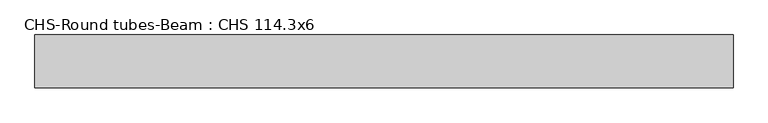
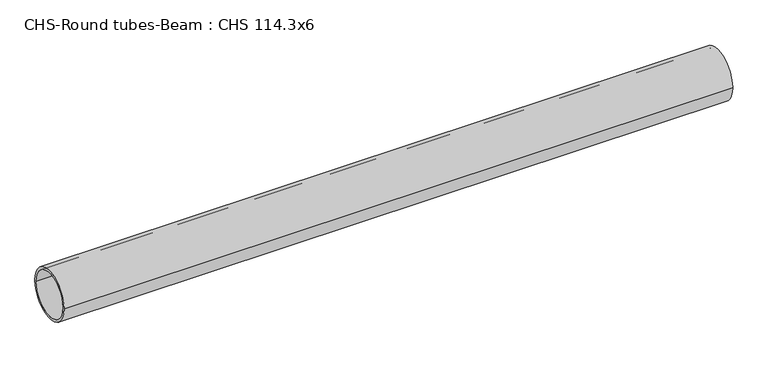
"""IFC4 building model written with IfcOpenShell, lengths in millimetres: beam geometry, CHS-Round tubes-Beam : CHS 114.3x6."""

from ifc_helpers import new_model, si_unit, point, frame, origin, origin_2d, place, context, project, spatial, circle_curve, trimmed, segment, composite_curve, outline, extrude, source, transform, mapped, element, save


def chs_round_tubes_beam_chs_114_3x6_7d3e3075(model_context):
    return source(origin(), model_context, "Body", "SweptSolid", [
        extrude(outline(composite_curve([segment(trimmed(circle_curve(origin_2d(), 57.15), [point((57.15, 0.0))], [point((-57.15, 0.0))], False, "CARTESIAN"), True, "CONTINUOUS"), segment(trimmed(circle_curve(origin_2d(), 57.15), [point((-57.15, 0.0))], [point((57.15, 0.0))], False, "CARTESIAN"), True, "CONTINUOUS")], self_intersect=False), holes=[composite_curve([segment(trimmed(circle_curve(origin_2d(), 51.15), [point((51.15, 0.0))], [point((-51.15, 0.0))], True, "CARTESIAN"), True, "CONTINUOUS"), segment(trimmed(circle_curve(origin_2d(), 51.15), [point((-51.15, 0.0))], [point((51.15, 0.0))], True, "CARTESIAN"), True, "CONTINUOUS")], self_intersect=False)]), frame((-809.8066794, 0.0, 0.0), z_axis=(1.0, 0.0, 0.0), x_axis=(0.0, 1.0, 0.0)), (0.0, 0.0, 1.0), 1507.8391892),
    ])


if __name__ == "__main__":
    model = new_model("IFC4")
    model_context = context("Model", 3, world=origin())
    ifc_project = project(units=[si_unit("LENGTHUNIT", "METRE", prefix="MILLI")], contexts=[model_context])
    site = spatial("IfcSite", under=ifc_project)
    building = spatial("IfcBuilding", under=site)
    placement = place(None, origin())
    chs_round_tubes_beam_chs_114_3x6_shape = chs_round_tubes_beam_chs_114_3x6_7d3e3075(model_context)
    element("IfcBeam", 1, ObjectType="CHS-Round tubes-Beam : CHS 114.3x6", at=placement, inside=building, context=model_context, shape_type="MappedRepresentation", body=[
        mapped(chs_round_tubes_beam_chs_114_3x6_shape, transform((0.0, 0.0, 0.0), x_axis=(1.0, 0.0, 0.0), y_axis=(0.0, 1.0, 0.0), z_axis=(0.0, 0.0, 1.0))),
    ])
    save(model, "model.ifc")
